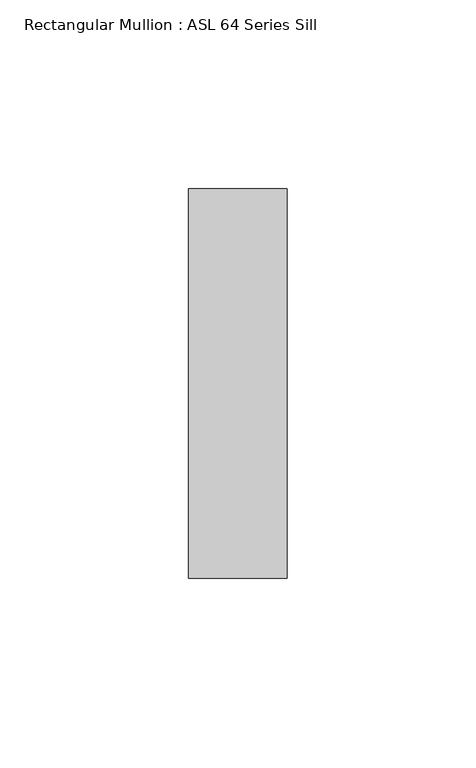
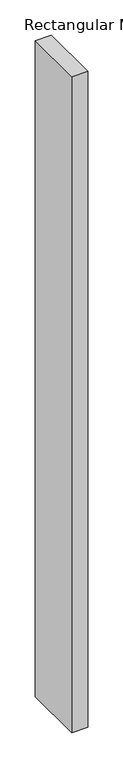
"""IFC4 building model written with IfcOpenShell, lengths in millimetres: member geometry, Rectangular Mullion : ASL 64 Series Sill."""

from ifc_helpers import new_model, si_unit, frame, origin, place, context, project, spatial, polyline, outline, extrude, source, transform, mapped, element, save


def rectangular_mullion_asl_64_series_sill_a5b67e96(model_context):
    return source(origin(), model_context, "Body", "SweptSolid", [
        extrude(outline(polyline([(-26.0, 51.5), (0.0, 51.5), (0.0, -51.5), (-26.0, -51.5), (-26.0, 51.5)])), frame((0.0, 0.0, -1134.2673911), z_axis=(0.0, 0.0, 1.0), x_axis=(1.0, 0.0, 0.0)), (0.0, 0.0, 1.0), 1134.2673911),
    ])


if __name__ == "__main__":
    model = new_model("IFC4")
    model_context = context("Model", 3, world=origin())
    ifc_project = project(units=[si_unit("LENGTHUNIT", "METRE", prefix="MILLI")], contexts=[model_context])
    site = spatial("IfcSite", under=ifc_project)
    building = spatial("IfcBuilding", under=site)
    placement = place(None, origin())
    rectangular_mullion_asl_64_series_sill_shape = rectangular_mullion_asl_64_series_sill_a5b67e96(model_context)
    element("IfcMember", 1, ObjectType="Rectangular Mullion : ASL 64 Series Sill", at=placement, inside=building, context=model_context, shape_type="MappedRepresentation", body=[
        mapped(rectangular_mullion_asl_64_series_sill_shape, transform((0.0, 0.0, 0.0), x_axis=(1.0, 0.0, 0.0), y_axis=(0.0, 1.0, 0.0), z_axis=(0.0, 0.0, 1.0))),
    ])
    save(model, "model.ifc")
